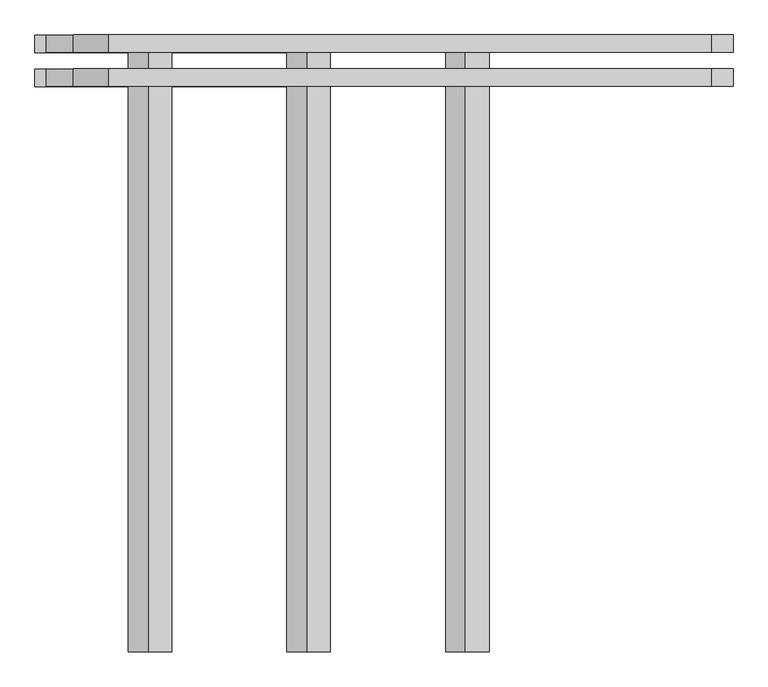
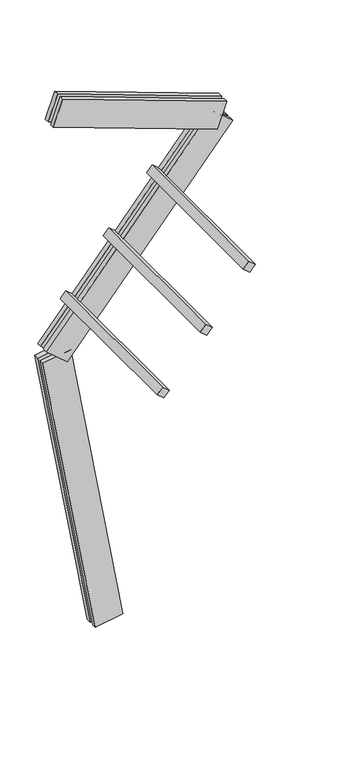
"""IFC4 building model written with IfcOpenShell, lengths in millimetres: proxy geometry."""

from ifc_helpers import new_model, si_unit, frame, origin, place, context, project, spatial, polyline, outline, extrude, source, transform, mapped, element, save


def generic_models_e5ffc24d(model_context):
    return source(origin(), model_context, "Body", "SweptSolid", [
        extrude(outline(polyline([(0.0, -1500.0), (0.0, 0.0), (75.0, 0.0), (75.0, -1500.0), (0.0, -1500.0)])), frame((-364.9439244, 62.5, 3093.9562323), z_axis=(0.64278760968654, 0.0, 0.7660444431189776), x_axis=(0.7660444431189776, 0.0, -0.64278760968654)), (0.0, 0.0, 1.0), 75.0),
        extrude(outline(polyline([(0.0, -1500.0), (0.0, 0.0), (75.0, 0.0), (75.0, -1500.0), (0.0, -1500.0)])), frame((20.7286414, 62.5, 3553.5828982), z_axis=(0.64278760968654, 0.0, 0.7660444431189776), x_axis=(0.7660444431189776, 0.0, -0.64278760968654)), (0.0, 0.0, 1.0), 75.0),
        extrude(outline(polyline([(0.0, -1500.0), (0.0, 0.0), (75.0, 0.0), (75.0, -1500.0), (0.0, -1500.0)])), frame((406.4012072, 62.5, 4013.2095641), z_axis=(0.64278760968654, 0.0, 0.7660444431189776), x_axis=(0.7660444431189776, 0.0, -0.64278760968654)), (0.0, 0.0, 1.0), 75.0),
        extrude(outline(polyline([(1560.0000001, -125.0), (0.0, -125.0), (0.0, -82.5), (1560.0000001, -82.5), (1560.0000001, -125.0)])), frame((966.8089047, -62.5, 4303.4215747), z_axis=(0.34202014332567116, 0.0, 0.9396926207859075), x_axis=(-0.9396926207859075, 0.0, 0.34202014332567116)), (0.0, 0.0, 1.0), 250.0),
        extrude(outline(polyline([(0.0, 0.0), (1560.0000001, 0.0), (1560.0000001, -42.5), (0.0, -42.5), (0.0, 0.0)])), frame((966.8089047, -62.5, 4303.4215747), z_axis=(0.34202014332567116, 0.0, 0.9396926207859075), x_axis=(-0.9396926207859075, 0.0, 0.34202014332567116)), (0.0, 0.0, 1.0), 250.0),
        extrude(outline(polyline([(-125.0, -250.0), (-125.0, 0.0), (-82.5, 0.0), (-82.5, -250.0), (-125.0, -250.0)])), frame((-373.0945243, -62.5, 2578.6324819), z_axis=(0.64278760968654, 0.0, 0.7660444431189776), x_axis=(0.0, -1.0, 0.0)), (0.0, 0.0, 1.0), 2300.0),
        extrude(outline(polyline([(0.0, 0.0), (0.0, -250.0), (-42.5, -250.0), (-42.5, 0.0), (0.0, 0.0)])), frame((-373.0945243, -62.5, 2578.6324819), z_axis=(0.64278760968654, 0.0, 0.7660444431189776), x_axis=(0.0, -1.0, 0.0)), (0.0, 0.0, 1.0), 2300.0),
        extrude(outline(polyline([(-125.0, -249.9999999), (-125.0, 0.0), (-82.5, 0.0), (-82.5, -249.9999999), (-125.0, -249.9999999)])), frame((123.1009691, -62.5, 21.7060222), z_axis=(-0.17364817766693158, 0.0, 0.9848077530122079), x_axis=(0.0, -1.0, 0.0)), (0.0, 0.0, 1.0), 2700.0),
        extrude(outline(polyline([(0.0, 0.0), (0.0, -249.9999999), (-42.5, -249.9999999), (-42.5, 0.0), (0.0, 0.0)])), frame((123.1009691, -62.5, 21.7060222), z_axis=(-0.17364817766693158, 0.0, 0.9848077530122079), x_axis=(0.0, -1.0, 0.0)), (0.0, 0.0, 1.0), 2700.0),
    ])


if __name__ == "__main__":
    model = new_model("IFC4")
    model_context = context("Model", 3, world=origin())
    ifc_project = project(units=[si_unit("LENGTHUNIT", "METRE", prefix="MILLI")], contexts=[model_context])
    site = spatial("IfcSite", under=ifc_project)
    building = spatial("IfcBuilding", under=site)
    placement = place(None, origin())
    generic_models_shape = generic_models_e5ffc24d(model_context)
    element("IfcBuildingElementProxy", 1, Name="Generic Models", at=placement, inside=building, context=model_context, shape_type="MappedRepresentation", body=[
        mapped(generic_models_shape, transform((0.0, 0.0, 0.0), x_axis=(1.0, 0.0, 0.0), y_axis=(0.0, 1.0, 0.0), z_axis=(0.0, 0.0, 1.0))),
    ])
    save(model, "model.ifc")
